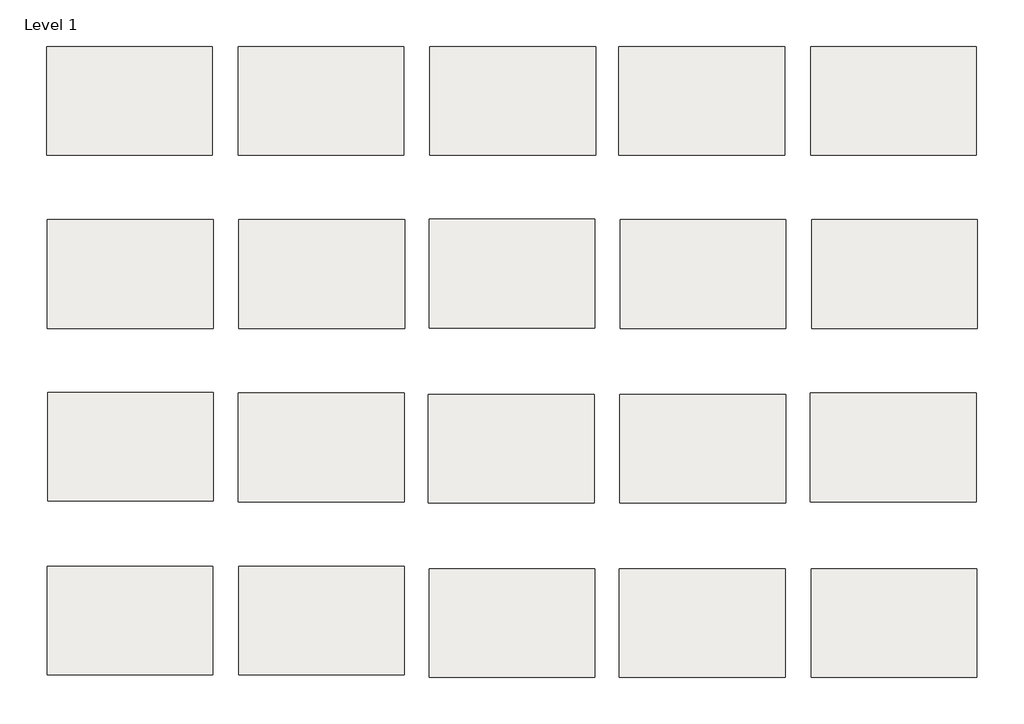
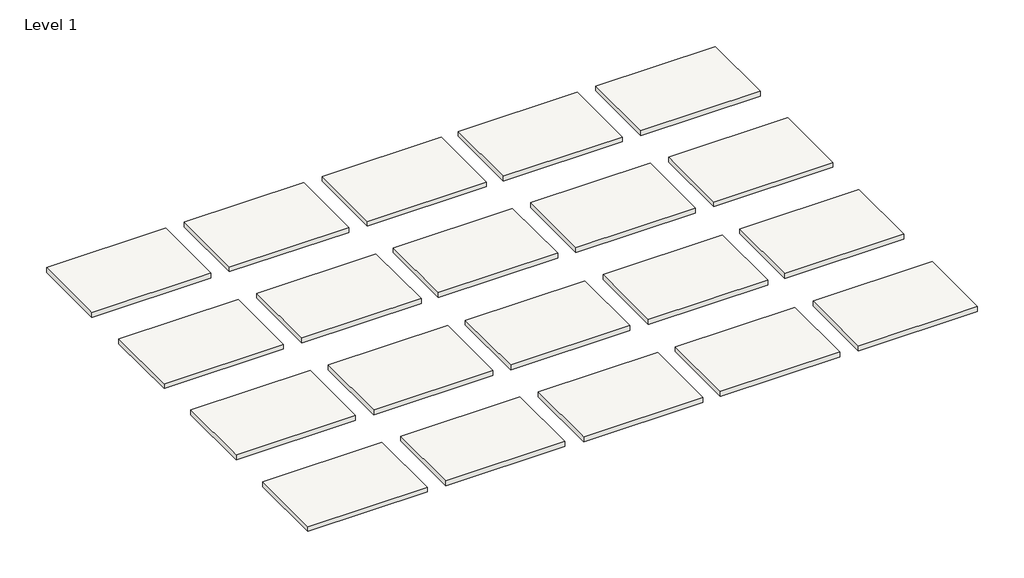
# One storey: 20 slabs.
"""IFC4 building model written with IfcOpenShell, lengths in millimetres."""

from ifc_helpers import new_model, si_unit, frame, origin, place, context, project, spatial, polyline, outline, extrude, element, save

model = new_model("IFC4")

# Units and contexts
model_context = context("Model", 3, world=origin())
ifc_project = project(units=[si_unit("LENGTHUNIT", "METRE", prefix="MILLI")], contexts=[model_context])

# Site, building, storey
site = spatial("IfcSite", under=ifc_project)
building = spatial("IfcBuilding", under=site)
storey = spatial("IfcBuildingStorey", under=building, Name="Level 1", Elevation=0.0)

# Slabs
placement = place(None, origin())
element("IfcSlab", 1, at=placement, inside=storey, context=model_context, shape_type="SweptSolid", body=[
    extrude(outline(polyline([(-4099.9287931, 9168.2063956), (-4099.9287931, 8901.5063956), (-4506.3287931, 8901.5063956), (-4506.3287931, 9168.2063956), (-4099.9287931, 9168.2063956)])), frame((0.0, 0.0, -17.4625), z_axis=(0.0, 0.0, 1.0), x_axis=(1.0, 0.0, 0.0)), (0.0, 0.0, 1.0), 17.4625),
])
element("IfcSlab", 2, at=placement, inside=storey, context=model_context, shape_type="SweptSolid", body=[
    extrude(outline(polyline([(-3630.0287931, 9168.2063956), (-3630.0287931, 8901.5063956), (-4036.4287931, 8901.5063956), (-4036.4287931, 9168.2063956), (-3630.0287931, 9168.2063956)])), frame((0.0, 0.0, -17.4625), z_axis=(0.0, 0.0, 1.0), x_axis=(1.0, 0.0, 0.0)), (0.0, 0.0, 1.0), 17.4625),
])
element("IfcSlab", 3, at=placement, inside=storey, context=model_context, shape_type="SweptSolid", body=[
    extrude(outline(polyline([(-3160.1287931, 9168.2063956), (-3160.1287931, 8901.5063956), (-3566.5287931, 8901.5063956), (-3566.5287931, 9168.2063956), (-3160.1287931, 9168.2063956)])), frame((0.0, 0.0, -17.4625), z_axis=(0.0, 0.0, 1.0), x_axis=(1.0, 0.0, 0.0)), (0.0, 0.0, 1.0), 17.4625),
])
element("IfcSlab", 4, at=placement, inside=storey, context=model_context, shape_type="SweptSolid", body=[
    extrude(outline(polyline([(-2696.5787931, 9168.2063956), (-2696.5787931, 8901.5063956), (-3102.9787931, 8901.5063956), (-3102.9787931, 9168.2063956), (-2696.5787931, 9168.2063956)])), frame((0.0, 0.0, -17.4625), z_axis=(0.0, 0.0, 1.0), x_axis=(1.0, 0.0, 0.0)), (0.0, 0.0, 1.0), 17.4625),
])
element("IfcSlab", 5, at=placement, inside=storey, context=model_context, shape_type="SweptSolid", body=[
    extrude(outline(polyline([(-2226.6787931, 9168.2063956), (-2226.6787931, 8901.5063956), (-2633.0787931, 8901.5063956), (-2633.0787931, 9168.2063956), (-2226.6787931, 9168.2063956)])), frame((0.0, 0.0, -17.4625), z_axis=(0.0, 0.0, 1.0), x_axis=(1.0, 0.0, 0.0)), (0.0, 0.0, 1.0), 17.4625),
])
element("IfcSlab", 6, at=placement, inside=storey, context=model_context, shape_type="SweptSolid", body=[
    extrude(outline(polyline([(-4098.0777662, 8743.4858803), (-4098.0777662, 8476.7858803), (-4504.4777662, 8476.7858803), (-4504.4777662, 8743.4858803), (-4098.0777662, 8743.4858803)])), frame((0.0, 0.0, -17.4625), z_axis=(0.0, 0.0, 1.0), x_axis=(1.0, 0.0, 0.0)), (0.0, 0.0, 1.0), 17.4625),
])
element("IfcSlab", 7, at=placement, inside=storey, context=model_context, shape_type="SweptSolid", body=[
    extrude(outline(polyline([(-3628.1777662, 8743.4858803), (-3628.1777662, 8476.7858803), (-4034.5777662, 8476.7858803), (-4034.5777662, 8743.4858803), (-3628.1777662, 8743.4858803)])), frame((0.0, 0.0, -17.4625), z_axis=(0.0, 0.0, 1.0), x_axis=(1.0, 0.0, 0.0)), (0.0, 0.0, 1.0), 17.4625),
])
element("IfcSlab", 8, at=placement, inside=storey, context=model_context, shape_type="SweptSolid", body=[
    extrude(outline(polyline([(-3161.9848601, 8744.5867532), (-3161.9848601, 8477.8867532), (-3568.3848601, 8477.8867532), (-3568.3848601, 8744.5867532), (-3161.9848601, 8744.5867532)])), frame((0.0, 0.0, -17.4625), z_axis=(0.0, 0.0, 1.0), x_axis=(1.0, 0.0, 0.0)), (0.0, 0.0, 1.0), 17.4625),
])
element("IfcSlab", 9, at=placement, inside=storey, context=model_context, shape_type="SweptSolid", body=[
    extrude(outline(polyline([(-2693.7858183, 8743.1486428), (-2693.7858183, 8476.4486428), (-3100.1858183, 8476.4486428), (-3100.1858183, 8743.1486428), (-2693.7858183, 8743.1486428)])), frame((0.0, 0.0, -17.4625), z_axis=(0.0, 0.0, 1.0), x_axis=(1.0, 0.0, 0.0)), (0.0, 0.0, 1.0), 17.4625),
])
element("IfcSlab", 10, at=placement, inside=storey, context=model_context, shape_type="SweptSolid", body=[
    extrude(outline(polyline([(-2223.8858183, 8743.1486428), (-2223.8858183, 8476.4486428), (-2630.2858183, 8476.4486428), (-2630.2858183, 8743.1486428), (-2223.8858183, 8743.1486428)])), frame((0.0, 0.0, -17.4625), z_axis=(0.0, 0.0, 1.0), x_axis=(1.0, 0.0, 0.0)), (0.0, 0.0, 1.0), 17.4625),
])
element("IfcSlab", 11, at=placement, inside=storey, context=model_context, shape_type="SweptSolid", body=[
    extrude(outline(polyline([(-4097.1978646, 8319.7773086), (-4097.1978646, 8053.0773086), (-4503.5978646, 8053.0773086), (-4503.5978646, 8319.7773086), (-4097.1978646, 8319.7773086)])), frame((0.0, 0.0, -17.4625), z_axis=(0.0, 0.0, 1.0), x_axis=(1.0, 0.0, 0.0)), (0.0, 0.0, 1.0), 17.4625),
])
element("IfcSlab", 12, at=placement, inside=storey, context=model_context, shape_type="SweptSolid", body=[
    extrude(outline(polyline([(-3629.7813519, 8317.6024723), (-3629.7813519, 8050.9024723), (-4036.1813519, 8050.9024723), (-4036.1813519, 8317.6024723), (-3629.7813519, 8317.6024723)])), frame((0.0, 0.0, -17.4625), z_axis=(0.0, 0.0, 1.0), x_axis=(1.0, 0.0, 0.0)), (0.0, 0.0, 1.0), 17.4625),
])
element("IfcSlab", 13, at=placement, inside=storey, context=model_context, shape_type="SweptSolid", body=[
    extrude(outline(polyline([(-3163.9285517, 8314.7751853), (-3163.9285517, 8048.0751853), (-3570.3285517, 8048.0751853), (-3570.3285517, 8314.7751853), (-3163.9285517, 8314.7751853)])), frame((0.0, 0.0, -17.4625), z_axis=(0.0, 0.0, 1.0), x_axis=(1.0, 0.0, 0.0)), (0.0, 0.0, 1.0), 17.4625),
])
element("IfcSlab", 14, at=placement, inside=storey, context=model_context, shape_type="SweptSolid", body=[
    extrude(outline(polyline([(-2694.0285517, 8314.7751853), (-2694.0285517, 8048.0751853), (-3100.4285517, 8048.0751853), (-3100.4285517, 8314.7751853), (-2694.0285517, 8314.7751853)])), frame((0.0, 0.0, -17.4625), z_axis=(0.0, 0.0, 1.0), x_axis=(1.0, 0.0, 0.0)), (0.0, 0.0, 1.0), 17.4625),
])
element("IfcSlab", 15, at=placement, inside=storey, context=model_context, shape_type="SweptSolid", body=[
    extrude(outline(polyline([(-2227.3035517, 8317.9501853), (-2227.3035517, 8051.2501853), (-2633.7035517, 8051.2501853), (-2633.7035517, 8317.9501853), (-2227.3035517, 8317.9501853)])), frame((0.0, 0.0, -17.4625), z_axis=(0.0, 0.0, 1.0), x_axis=(1.0, 0.0, 0.0)), (0.0, 0.0, 1.0), 17.4625),
])
element("IfcSlab", 16, at=placement, inside=storey, context=model_context, shape_type="SweptSolid", body=[
    extrude(outline(polyline([(-4098.7025248, 7893.22967), (-4098.7025248, 7626.52967), (-4505.1025248, 7626.52967), (-4505.1025248, 7893.22967), (-4098.7025248, 7893.22967)])), frame((0.0, 0.0, -17.4625), z_axis=(0.0, 0.0, 1.0), x_axis=(1.0, 0.0, 0.0)), (0.0, 0.0, 1.0), 17.4625),
])
element("IfcSlab", 17, at=placement, inside=storey, context=model_context, shape_type="SweptSolid", body=[
    extrude(outline(polyline([(-3628.8025248, 7893.22967), (-3628.8025248, 7626.52967), (-4035.2025248, 7626.52967), (-4035.2025248, 7893.22967), (-3628.8025248, 7893.22967)])), frame((0.0, 0.0, -17.4625), z_axis=(0.0, 0.0, 1.0), x_axis=(1.0, 0.0, 0.0)), (0.0, 0.0, 1.0), 17.4625),
])
element("IfcSlab", 18, at=placement, inside=storey, context=model_context, shape_type="SweptSolid", body=[
    extrude(outline(polyline([(-3162.0775248, 7886.87967), (-3162.0775248, 7620.17967), (-3568.4775248, 7620.17967), (-3568.4775248, 7886.87967), (-3162.0775248, 7886.87967)])), frame((0.0, 0.0, -17.4625), z_axis=(0.0, 0.0, 1.0), x_axis=(1.0, 0.0, 0.0)), (0.0, 0.0, 1.0), 17.4625),
])
element("IfcSlab", 19, at=placement, inside=storey, context=model_context, shape_type="SweptSolid", body=[
    extrude(outline(polyline([(-2695.3525248, 7886.87967), (-2695.3525248, 7620.17967), (-3101.7525248, 7620.17967), (-3101.7525248, 7886.87967), (-2695.3525248, 7886.87967)])), frame((0.0, 0.0, -17.4625), z_axis=(0.0, 0.0, 1.0), x_axis=(1.0, 0.0, 0.0)), (0.0, 0.0, 1.0), 17.4625),
])
element("IfcSlab", 20, at=placement, inside=storey, context=model_context, shape_type="SweptSolid", body=[
    extrude(outline(polyline([(-2225.4525248, 7886.87967), (-2225.4525248, 7620.17967), (-2631.8525248, 7620.17967), (-2631.8525248, 7886.87967), (-2225.4525248, 7886.87967)])), frame((0.0, 0.0, -17.4625), z_axis=(0.0, 0.0, 1.0), x_axis=(1.0, 0.0, 0.0)), (0.0, 0.0, 1.0), 17.4625),
])

save(model, "model.ifc")
